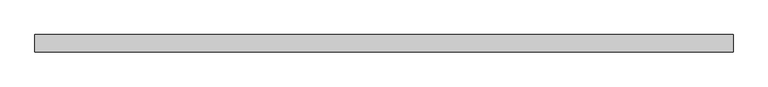
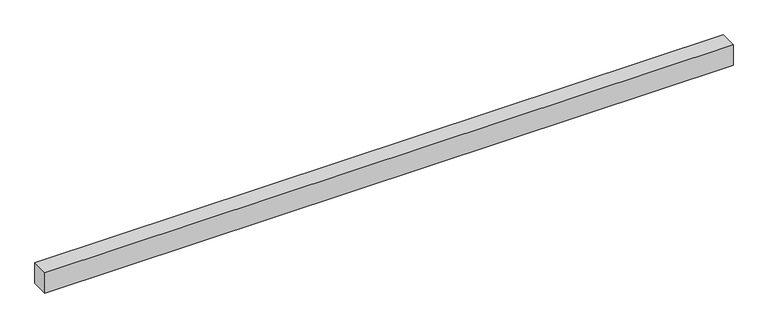
"""IFC4 building model written with IfcOpenShell, lengths in millimetres: proxy geometry."""

from ifc_helpers import new_model, si_unit, frame, origin, place, context, project, spatial, polyline, outline, extrude, source, transform, mapped, element, save


def generic_models_f6e69ef7(model_context):
    return source(origin(), model_context, "Body", "SweptSolid", [
        extrude(outline(polyline([(40.0, 0.0), (-40.0, 0.0), (-40.0, 3200.0), (40.0, 3200.0), (40.0, 0.0)])), frame((3200.0, 0.0, 0.0), z_axis=(0.0, -1.9783474858313244e-12, 1.0), x_axis=(0.0, 1.0, 1.9783474858313244e-12)), (0.0, 0.0, 1.0), 100.0),
    ])


if __name__ == "__main__":
    model = new_model("IFC4")
    model_context = context("Model", 3, world=origin())
    ifc_project = project(units=[si_unit("LENGTHUNIT", "METRE", prefix="MILLI")], contexts=[model_context])
    site = spatial("IfcSite", under=ifc_project)
    building = spatial("IfcBuilding", under=site)
    placement = place(None, origin())
    generic_models_shape = generic_models_f6e69ef7(model_context)
    element("IfcBuildingElementProxy", 1, Name="Generic Models", at=placement, inside=building, context=model_context, shape_type="MappedRepresentation", body=[
        mapped(generic_models_shape, transform((0.0, 0.0, 0.0), x_axis=(1.0, 0.0, 0.0), y_axis=(0.0, 1.0, 0.0), z_axis=(0.0, 0.0, 1.0))),
    ])
    save(model, "model.ifc")
